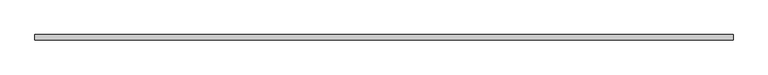
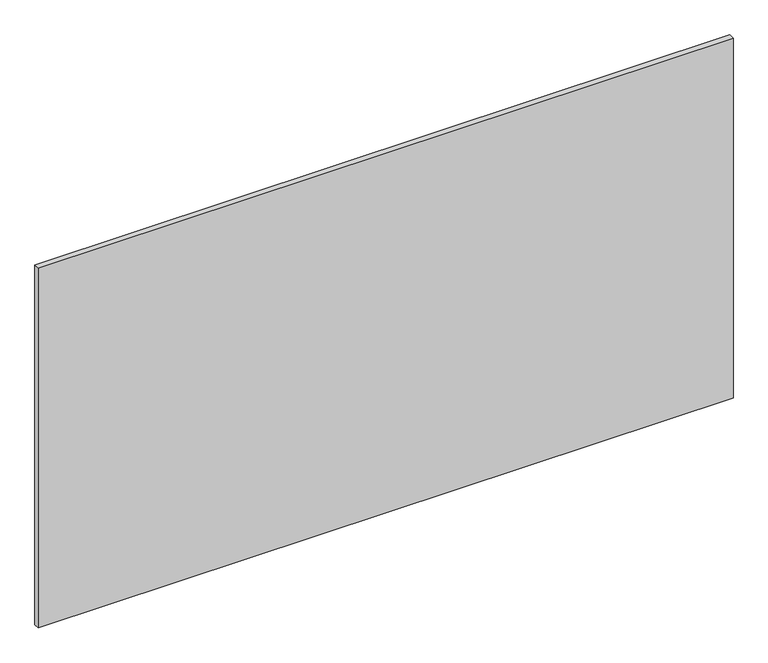
"""IFC4 building model written with IfcOpenShell, lengths in millimetres: plate geometry."""

from ifc_helpers import new_model, si_unit, origin, origin_with_axes, place, context, project, spatial, polyline, outline, extrude, source, transform, mapped, element, save


def plate_bf14188b(model_context):
    return source(origin(), model_context, "Body", "SweptSolid", [
        extrude(outline(polyline([(625.0, -20.0), (625.0, -30.0), (-625.0, -30.0), (-625.0, -20.0), (625.0, -20.0)])), origin_with_axes(), (0.0, 0.0, 1.0), 685.0),
    ])


if __name__ == "__main__":
    model = new_model("IFC4")
    model_context = context("Model", 3, world=origin())
    ifc_project = project(units=[si_unit("LENGTHUNIT", "METRE", prefix="MILLI")], contexts=[model_context])
    site = spatial("IfcSite", under=ifc_project)
    building = spatial("IfcBuilding", under=site)
    placement = place(None, origin())
    plate_shape = plate_bf14188b(model_context)
    element("IfcPlate", 1, at=placement, inside=building, context=model_context, shape_type="MappedRepresentation", body=[
        mapped(plate_shape, transform((0.0, 0.0, 0.0), x_axis=(1.0, 0.0, 0.0), y_axis=(0.0, 1.0, 0.0), z_axis=(0.0, 0.0, 1.0))),
    ])
    save(model, "model.ifc")
